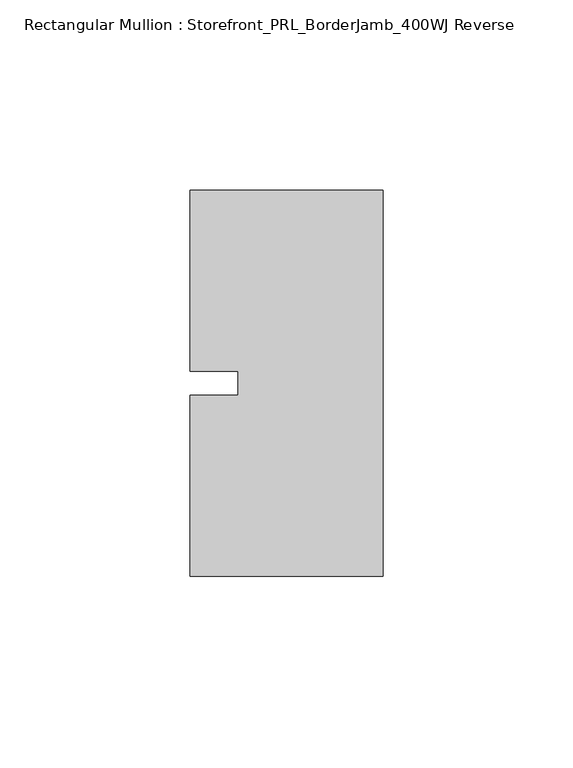
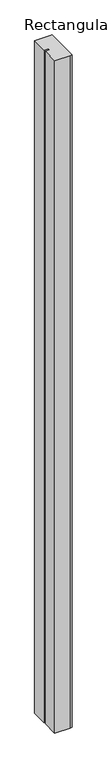
"""IFC4 building model written with IfcOpenShell, lengths in millimetres: member geometry, Rectangular Mullion : Storefront_PRL_BorderJamb_400WJ Reverse."""

from ifc_helpers import new_model, si_unit, frame, origin, place, context, project, spatial, polyline, outline, extrude, source, transform, mapped, element, save


def rectangular_mullion_storefront_prl_borderjamb_400wj_reverse_9815b673(model_context):
    return source(origin(), model_context, "Body", "SweptSolid", [
        extrude(outline(polyline([(-38.1, -3.175), (-38.1, 3.175), (-50.8, 3.175), (-50.8, 50.8), (-7.3958824, 50.8), (0.0, 50.8), (0.0, -50.8), (-6.35, -50.8), (-50.8, -50.8), (-50.8, -3.175), (-38.1, -3.175)])), frame((0.0, 0.0, -2078.83125), z_axis=(0.0, 0.0, 1.0), x_axis=(1.0, 0.0, 0.0)), (0.0, 0.0, 1.0), 2078.83125),
    ])


if __name__ == "__main__":
    model = new_model("IFC4")
    model_context = context("Model", 3, world=origin())
    ifc_project = project(units=[si_unit("LENGTHUNIT", "METRE", prefix="MILLI")], contexts=[model_context])
    site = spatial("IfcSite", under=ifc_project)
    building = spatial("IfcBuilding", under=site)
    placement = place(None, origin())
    rectangular_mullion_storefront_prl_borderjamb_400wj_reverse_shape = rectangular_mullion_storefront_prl_borderjamb_400wj_reverse_9815b673(model_context)
    element("IfcMember", 1, ObjectType="Rectangular Mullion : Storefront_PRL_BorderJamb_400WJ Reverse", at=placement, inside=building, context=model_context, shape_type="MappedRepresentation", body=[
        mapped(rectangular_mullion_storefront_prl_borderjamb_400wj_reverse_shape, transform((0.0, 0.0, 0.0), x_axis=(1.0, 0.0, 0.0), y_axis=(0.0, 1.0, 0.0), z_axis=(0.0, 0.0, 1.0))),
    ])
    save(model, "model.ifc")
